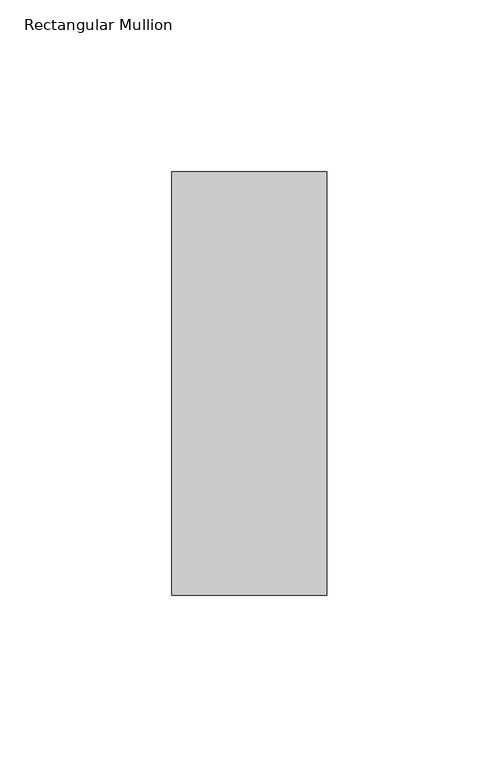
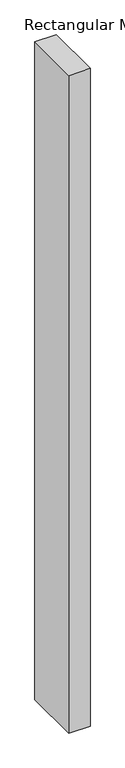
"""IFC4 building model written with IfcOpenShell, lengths in millimetres: member geometry, Rectangular Mullion."""

from ifc_helpers import new_model, si_unit, frame, origin, place, context, project, spatial, polyline, outline, extrude, source, transform, mapped, element, save


def rectangular_mullion_2f018549(model_context):
    return source(origin(), model_context, "Body", "SweptSolid", [
        extrude(outline(polyline([(-45.0, 77.05), (0.0, 77.05), (0.0, -46.05), (-45.0, -46.05), (-45.0, 77.05)])), frame((0.0, 0.0, -1463.0437978), z_axis=(0.0, 0.0, 1.0), x_axis=(1.0, 0.0, 0.0)), (0.0, 0.0, 1.0), 1463.0437978),
    ])


if __name__ == "__main__":
    model = new_model("IFC4")
    model_context = context("Model", 3, world=origin())
    ifc_project = project(units=[si_unit("LENGTHUNIT", "METRE", prefix="MILLI")], contexts=[model_context])
    site = spatial("IfcSite", under=ifc_project)
    building = spatial("IfcBuilding", under=site)
    placement = place(None, origin())
    rectangular_mullion_shape = rectangular_mullion_2f018549(model_context)
    element("IfcMember", 1, ObjectType="Rectangular Mullion", at=placement, inside=building, context=model_context, shape_type="MappedRepresentation", body=[
        mapped(rectangular_mullion_shape, transform((0.0, 0.0, 0.0), x_axis=(1.0, 0.0, 0.0), y_axis=(0.0, 1.0, 0.0), z_axis=(0.0, 0.0, 1.0))),
    ])
    save(model, "model.ifc")
